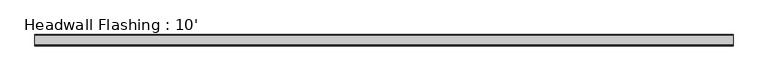
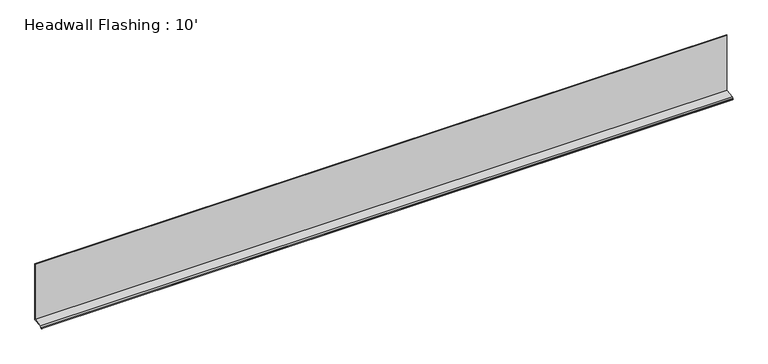
"""IFC4 building model written with IfcOpenShell, lengths in millimetres: proxy geometry, Headwall Flashing : 10'."""

import ifcopenshell
import ifcopenshell.guid

model = None  # the IFC model being written
_history = None  # IfcOwnerHistory: only IFC2X3 demands one
_inside = {}  # id of a spatial element -> (the spatial element, [elements in it])
_under = {}  # id of a project, library or spatial element -> (it, [spatial elements below it])
_declared = {}  # id of a project -> (the project, [libraries it declares])
_typed = {}  # id of a type object -> (the type object, [elements of that type])
_made_of = {}  # id of a material, layer set ... -> (it, [elements and type objects made of it])


def new_model(schema):
    """Start an empty IFC model of exactly this schema.

    Asked for "IFC4X3", IfcOpenShell would pick the latest addendum, in which some entities
    have other attributes; the version numbers below select the first issue.
    IFC2X3 requires an IfcOwnerHistory on every rooted entity: one is made here for all.
    """
    global model, _history
    if schema == "IFC4X3":
        model = ifcopenshell.file(schema_version=(4, 3, 0, 0))
    else:
        model = ifcopenshell.file(schema=schema)
    _inside.clear()
    _under.clear()
    _declared.clear()
    _typed.clear()
    _made_of.clear()
    _history = None
    if model.schema == "IFC2X3":
        org = make("IfcOrganization", Name="unknown")
        user = make(
            "IfcPersonAndOrganization",
            ThePerson=make("IfcPerson", FamilyName="unknown"),
            TheOrganization=org,
        )
        app = make(
            "IfcApplication",
            ApplicationDeveloper=org,
            Version="unknown",
            ApplicationFullName="unknown",
            ApplicationIdentifier="unknown",
        )
        _history = make(
            "IfcOwnerHistory",
            OwningUser=user,
            OwningApplication=app,
            ChangeAction="ADDED",
            CreationDate=0,
        )
    return model


def make(cls, **values):
    """One entity of the class cls with the attributes given. An attribute that is None is left unset."""
    return model.create_entity(
        cls, **{name: value for name, value in values.items() if value is not None}
    )


def rooted(cls, **values):
    """An entity with a GlobalId (a new one), such as an element, a storey or a relation."""
    return make(cls, GlobalId=ifcopenshell.guid.new(), OwnerHistory=_history, **values)


def si_unit(unit_type, name, prefix=None):
    """IfcSIUnit, for example si_unit("LENGTHUNIT", "METRE", prefix="MILLI")."""
    return make("IfcSIUnit", UnitType=unit_type, Prefix=prefix, Name=name)


def assignment(units):
    """IfcUnitAssignment: the units of a project."""
    return None if units is None else make("IfcUnitAssignment", Units=units)


def point(xyz):
    """IfcCartesianPoint."""
    return None if xyz is None else make("IfcCartesianPoint", Coordinates=xyz)


def direction(xyz):
    """IfcDirection."""
    return None if xyz is None else make("IfcDirection", DirectionRatios=xyz)


def frame(location, z_axis=None, x_axis=None):
    """IfcAxis2Placement3D, a coordinate frame: its origin and axes. An axis left out is left unset."""
    return make(
        "IfcAxis2Placement3D",
        Location=point(location),
        Axis=direction(z_axis),
        RefDirection=direction(x_axis),
    )


def origin():
    """The frame at (0, 0, 0) with its axes left unset."""
    return frame((0.0, 0.0, 0.0))


def place(relative_to, where):
    """IfcLocalPlacement: puts the frame where relative to a parent placement (None: the world)."""
    return make(
        "IfcLocalPlacement", PlacementRelTo=relative_to, RelativePlacement=where
    )


def context(
    kind, dimensions, precision=None, world=None, true_north=None, identifier=None
):
    """IfcGeometricRepresentationContext, for example the 3D "Model" context."""
    return make(
        "IfcGeometricRepresentationContext",
        ContextIdentifier=identifier,
        ContextType=kind,
        CoordinateSpaceDimension=dimensions,
        Precision=precision,
        WorldCoordinateSystem=world,
        TrueNorth=true_north,
    )


def project(units=None, contexts=None):
    """IfcProject with its units and contexts."""
    return rooted(
        "IfcProject",
        Name="project",
        RepresentationContexts=contexts,
        UnitsInContext=assignment(units),
    )


def spatial(cls, under=None, at=None, **own):
    """A site, building, storey or space (cls), placed at a placement, below another one or the project."""
    s = rooted(cls, ObjectPlacement=at, **own)
    if under is not None:
        _under.setdefault(under.id(), (under, []))[1].append(s)
    return s


def polyline(points):
    """IfcPolyline through the points."""
    return make("IfcPolyline", Points=[point(p) for p in points])


def outline(outer, holes=None, kind="AREA"):
    """IfcArbitraryClosedProfileDef: a profile drawn as a closed curve; with holes, ...WithVoids."""
    if holes is None:
        return make("IfcArbitraryClosedProfileDef", ProfileType=kind, OuterCurve=outer)
    return make(
        "IfcArbitraryProfileDefWithVoids",
        ProfileType=kind,
        OuterCurve=outer,
        InnerCurves=holes,
    )


def extrude(swept, where, along, depth):
    """IfcExtrudedAreaSolid: the profile swept, set in the frame where, extruded along a direction by depth."""
    return make(
        "IfcExtrudedAreaSolid",
        SweptArea=swept,
        Position=where,
        ExtrudedDirection=direction(along),
        Depth=depth,
    )


def shape(context_of_items, identifier, shape_type, items):
    """IfcShapeRepresentation: the items that make up one representation, for example the "Body"."""
    return make(
        "IfcShapeRepresentation",
        ContextOfItems=context_of_items,
        RepresentationIdentifier=identifier,
        RepresentationType=shape_type,
        Items=items,
    )


def source(mapping_origin, context_of_items, identifier, shape_type, items):
    """IfcRepresentationMap: a shape defined once, which mapped items show again and again."""
    return make(
        "IfcRepresentationMap",
        MappingOrigin=mapping_origin,
        MappedRepresentation=shape(context_of_items, identifier, shape_type, items),
    )


def transform(
    local_origin,
    x_axis=None,
    y_axis=None,
    z_axis=None,
    scale=None,
    scale2=None,
    scale3=None,
    uniform=True,
):
    """IfcCartesianTransformationOperator3D, or its non-uniform kind. x_axis, y_axis, z_axis: its Axis1, 2, 3."""
    if uniform:
        return make(
            "IfcCartesianTransformationOperator3D",
            Axis1=direction(x_axis),
            Axis2=direction(y_axis),
            LocalOrigin=point(local_origin),
            Scale=scale,
            Axis3=direction(z_axis),
        )
    return make(
        "IfcCartesianTransformationOperator3DnonUniform",
        Axis1=direction(x_axis),
        Axis2=direction(y_axis),
        LocalOrigin=point(local_origin),
        Scale=scale,
        Axis3=direction(z_axis),
        Scale2=scale2,
        Scale3=scale3,
    )


def mapped(mapping_source, mapping_target):
    """IfcMappedItem: shows the shape of a source again, moved by a transform."""
    return make(
        "IfcMappedItem", MappingSource=mapping_source, MappingTarget=mapping_target
    )


def made_of(thing, what):
    """Note that an element or type object is made of a material, layer set ...; save() writes the relation."""
    if what is not None:
        _made_of.setdefault(what.id(), (what, []))[1].append(thing)
    return thing


def element(
    cls,
    number,
    at=None,
    inside=None,
    cuts=None,
    type_object=None,
    material=None,
    context=None,
    identifier="Body",
    shape_type=None,
    held_by="IfcProductDefinitionShape",
    body=None,
    shapes=None,
    **own,
):
    """One element of the class cls, such as IfcWall. Its Tag is "e" and its number.

    at: its placement. inside: the storey or other place that contains it. cuts: it is an
    opening in that element (IfcRelVoidsElement). A single representation is given by context,
    identifier, shape_type and body (its items); several are given by shapes. held_by: the class
    of the entity that holds the representations. save() writes the other relations.
    """
    e = rooted(cls, Tag="e%d" % number, ObjectPlacement=at, **own)
    if body is not None:
        shapes = [shape(context, identifier, shape_type, body)]
    if shapes is not None:
        e.Representation = make(held_by, Representations=shapes)
    if inside is not None:
        _inside.setdefault(inside.id(), (inside, []))[1].append(e)
    if cuts is not None:
        rooted(
            "IfcRelVoidsElement", RelatingBuildingElement=cuts, RelatedOpeningElement=e
        )
    if type_object is not None:
        _typed.setdefault(type_object.id(), (type_object, []))[1].append(e)
    return made_of(e, material)


def aggregate(whole, parts):
    """IfcRelAggregates: a whole, such as a stair, and the parts it consists of."""
    return rooted("IfcRelAggregates", RelatingObject=whole, RelatedObjects=parts)


def save(model, path):
    """Write the relations noted so far, then the file.

    IfcRelAggregates (storeys below a building ...), IfcRelContainedInSpatialStructure (elements
    in a storey), IfcRelDefinesByType, IfcRelAssociatesMaterial and IfcRelDeclares: one each for
    every whole, place, type object, material and project.
    """
    for whole, parts in _under.values():
        aggregate(whole, parts)
    for where, things in _inside.values():
        rooted(
            "IfcRelContainedInSpatialStructure",
            RelatedElements=things,
            RelatingStructure=where,
        )
    for kind, things in _typed.values():
        rooted("IfcRelDefinesByType", RelatedObjects=things, RelatingType=kind)
    for what, things in _made_of.values():
        rooted("IfcRelAssociatesMaterial", RelatedObjects=things, RelatingMaterial=what)
    for by, libraries in _declared.values():
        rooted("IfcRelDeclares", RelatingContext=by, RelatedDefinitions=libraries)
    model.write(path)


def headwall_flashing_10_993fc4b5(model_context):
    return source(origin(), model_context, "Body", "SweptSolid", [
        extrude(outline(polyline([(-24.8774117, -13.5748588), (-21.2130453, -11.0090419), (-17.5881307, -4.7305056), (24.0889055, -1.0842374), (24.0889055, 257.1465055), (24.8826555, 257.1465055), (24.8826555, -2.6083572), (-16.6265155, -6.2399391), (-20.0142001, -12.1075811), (-23.9668591, -14.8752627), (-24.8774117, -13.5748588)])), frame((0.0, 0.0, 0.0), z_axis=(1.0, 0.0, 0.0), x_axis=(0.0, 1.0, 0.0)), (0.0, 0.0, 1.0), 3048.0),
    ])


if __name__ == "__main__":
    model = new_model("IFC4")
    model_context = context("Model", 3, world=origin())
    ifc_project = project(units=[si_unit("LENGTHUNIT", "METRE", prefix="MILLI")], contexts=[model_context])
    site = spatial("IfcSite", under=ifc_project)
    building = spatial("IfcBuilding", under=site)
    placement = place(None, origin())
    headwall_flashing_10_shape = headwall_flashing_10_993fc4b5(model_context)
    element("IfcBuildingElementProxy", 1, Name="Headwall Flashing : 10'", ObjectType="Headwall Flashing : 10'", at=placement, inside=building, context=model_context, shape_type="MappedRepresentation", body=[
        mapped(headwall_flashing_10_shape, transform((0.0, 0.0, 0.0), x_axis=(1.0, 0.0, 0.0), y_axis=(0.0, 1.0, 0.0), z_axis=(0.0, 0.0, 1.0))),
    ])
    save(model, "model.ifc")
